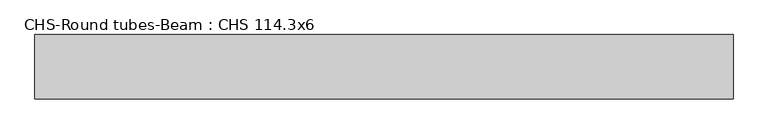
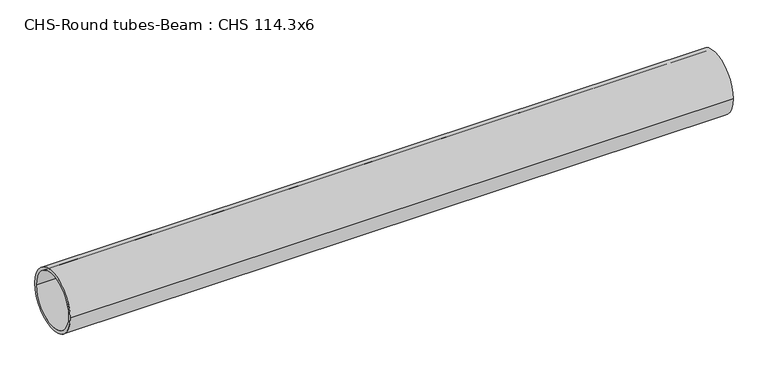
"""IFC4 building model written with IfcOpenShell, lengths in millimetres: beam geometry, CHS-Round tubes-Beam : CHS 114.3x6."""

from ifc_helpers import new_model, si_unit, point, frame, origin, origin_2d, place, context, project, spatial, circle_curve, trimmed, segment, composite_curve, outline, extrude, source, transform, mapped, element, save


def chs_round_tubes_beam_chs_114_3x6_95a3b04c(model_context):
    return source(origin(), model_context, "Body", "SweptSolid", [
        extrude(outline(composite_curve([segment(trimmed(circle_curve(origin_2d(), 57.15), [point((57.15, 0.0))], [point((-57.15, 0.0))], False, "CARTESIAN"), True, "CONTINUOUS"), segment(trimmed(circle_curve(origin_2d(), 57.15), [point((-57.15, 0.0))], [point((57.15, 0.0))], False, "CARTESIAN"), True, "CONTINUOUS")], self_intersect=False), holes=[composite_curve([segment(trimmed(circle_curve(origin_2d(), 51.15), [point((51.15, 0.0))], [point((-51.15, 0.0))], True, "CARTESIAN"), True, "CONTINUOUS"), segment(trimmed(circle_curve(origin_2d(), 51.15), [point((-51.15, 0.0))], [point((51.15, 0.0))], True, "CARTESIAN"), True, "CONTINUOUS")], self_intersect=False)]), frame((-624.9722621, 0.0, 0.0), z_axis=(1.0, 0.0, 0.0), x_axis=(0.0, 1.0, 0.0)), (0.0, 0.0, 1.0), 1238.868314),
    ])


if __name__ == "__main__":
    model = new_model("IFC4")
    model_context = context("Model", 3, world=origin())
    ifc_project = project(units=[si_unit("LENGTHUNIT", "METRE", prefix="MILLI")], contexts=[model_context])
    site = spatial("IfcSite", under=ifc_project)
    building = spatial("IfcBuilding", under=site)
    placement = place(None, origin())
    chs_round_tubes_beam_chs_114_3x6_shape = chs_round_tubes_beam_chs_114_3x6_95a3b04c(model_context)
    element("IfcBeam", 1, ObjectType="CHS-Round tubes-Beam : CHS 114.3x6", at=placement, inside=building, context=model_context, shape_type="MappedRepresentation", body=[
        mapped(chs_round_tubes_beam_chs_114_3x6_shape, transform((0.0, 0.0, 0.0), x_axis=(1.0, 0.0, 0.0), y_axis=(0.0, 1.0, 0.0), z_axis=(0.0, 0.0, 1.0))),
    ])
    save(model, "model.ifc")
